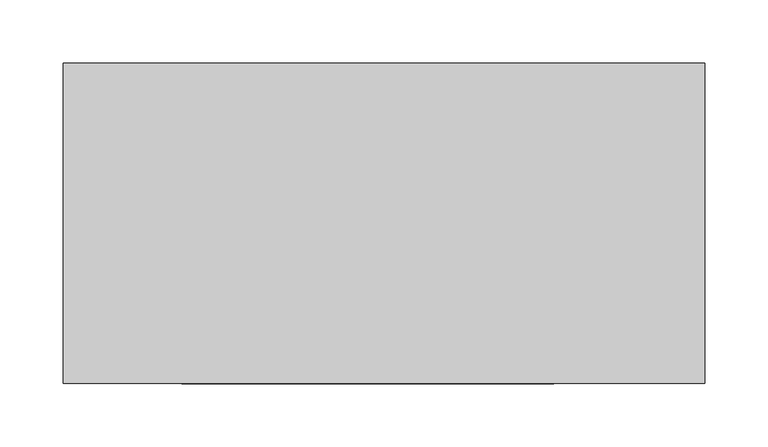
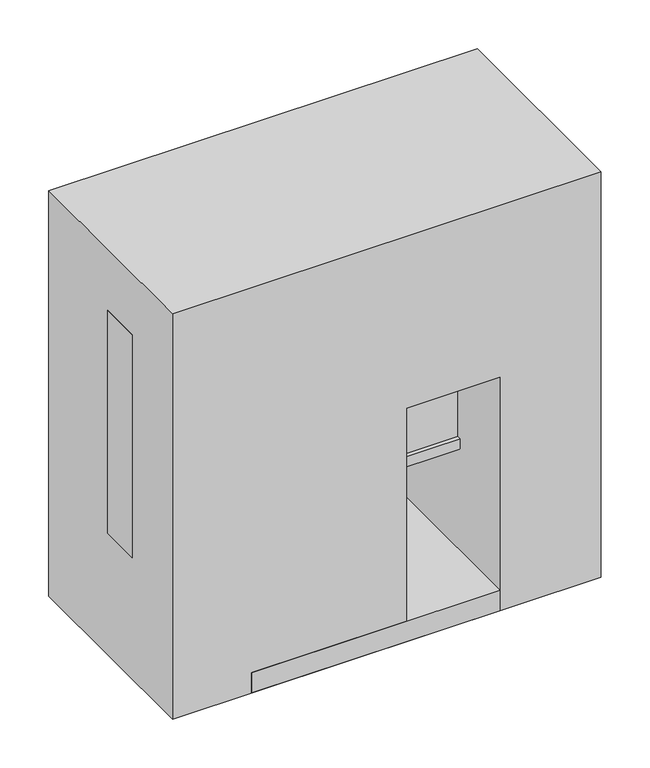
"""IFC4 building model written with IfcOpenShell, lengths in millimetres: proxy geometry."""

from ifc_helpers import new_model, si_unit, origin, place, context, project, spatial, faceted_brep, source, transform, mapped, element, save


def specialty_equipment_a8292a08(model_context):
    return source(origin(), model_context, "Body", "Brep", [
        faceted_brep([(228.6, 6.2656905, 431.8), (-254.0, 6.2656905, 431.8), (-254.0, -44.3656905, 431.8), (228.6, -44.3656905, 431.8), (228.6, 6.2656905, 152.4), (228.6, -44.3656905, 152.4), (-254.0, -44.3656905, 152.4), (-254.0, 6.2656905, 152.4), (-241.3, -44.3656905, 419.1), (215.9, -44.3656905, 419.1), (215.9, -44.3656905, 165.1), (-241.3, -44.3656905, 165.1), (215.9, -39.5794881, 419.1), (-241.3, -39.5794881, 419.1), (215.9, -39.5794881, 165.1), (-241.3, -39.5794881, 165.1)], [[[0, 1, 2, 3]], [[4, 5, 6, 7]], [[1, 0, 4, 7]], [[2, 1, 7, 6]], [[3, 2, 6, 5], [8, 9, 10, 11]], [[0, 3, 5, 4]], [[12, 9, 8, 13]], [[14, 15, 11, 10]], [[12, 13, 15, 14]], [[13, 8, 11, 15]], [[9, 12, 14, 10]]]),
        faceted_brep([(24.2685686, 44.3656905, 25.4), (24.2685686, 69.7656905, 25.4), (24.2685686, 69.7656905, 31.75), (24.2685686, 69.7656905, 292.1), (24.2685686, 6.2656905, 292.1), (24.2685686, 6.2656905, 241.3), (24.2685686, 44.3656905, 241.3), (134.5218395, -127.0, 25.4), (134.5218395, -127.0, 0.0), (134.5218395, 88.9, 0.0), (134.5218395, 88.9, 25.4), (-159.9218395, -127.0, 25.4), (-159.9218395, 88.9, 25.4), (-159.9218395, 88.9, 0.0), (-159.9218395, -127.0, 0.0), (-49.6685686, 69.7656905, 25.4), (-49.6685686, 69.7656905, 31.75), (-49.6685686, 69.7656905, 292.1), (-49.6685686, 6.2656905, 292.1), (-49.6685686, 6.2656905, 241.3), (-49.6685686, 44.3656905, 241.3), (-49.6685686, 44.3656905, 25.4)], [[[0, 1, 2, 3, 4, 5, 6]], [[7, 8, 9, 10]], [[11, 12, 13, 14]], [[2, 1, 15, 16]], [[3, 2, 16, 17]], [[4, 3, 17, 18]], [[5, 4, 18, 19]], [[6, 5, 19, 20]], [[0, 6, 20, 21]], [[7, 10, 12, 11], [0, 21, 15, 1]], [[8, 7, 11, 14]], [[9, 8, 14, 13]], [[12, 10, 9, 13]], [[15, 21, 20, 19, 18, 17, 16]]]),
        faceted_brep([(254.0, 127.0, 508.0), (-254.0, 127.0, 508.0), (-254.0, -127.0, 508.0), (254.0, -127.0, 508.0), (254.0, 127.0, 0.0), (254.0, -127.0, 0.0), (-254.0, -127.0, 0.0), (-254.0, 127.0, 0.0), (24.2685686, -127.0, 292.1), (134.5218395, -127.0, 292.1), (134.5218395, -127.0, 25.4), (24.2685686, -127.0, 25.4), (134.5218395, 88.9, 292.1), (24.2685686, 88.9, 292.1), (24.2685686, 88.9, 25.4), (134.5218395, 88.9, 25.4)], [[[0, 1, 2, 3]], [[4, 5, 6, 7]], [[1, 0, 4, 7]], [[2, 1, 7, 6]], [[3, 2, 6, 5], [8, 9, 10, 11]], [[0, 3, 5, 4]], [[12, 13, 14, 15]], [[13, 12, 9, 8]], [[14, 13, 8, 11]], [[15, 14, 11, 10]], [[12, 15, 10, 9]]]),
    ])


if __name__ == "__main__":
    model = new_model("IFC4")
    model_context = context("Model", 3, world=origin())
    ifc_project = project(units=[si_unit("LENGTHUNIT", "METRE", prefix="MILLI")], contexts=[model_context])
    site = spatial("IfcSite", under=ifc_project)
    building = spatial("IfcBuilding", under=site)
    placement = place(None, origin())
    specialty_equipment_shape = specialty_equipment_a8292a08(model_context)
    element("IfcBuildingElementProxy", 1, Name="Specialty Equipment", at=placement, inside=building, context=model_context, shape_type="MappedRepresentation", body=[
        mapped(specialty_equipment_shape, transform((0.0, 0.0, 0.0), x_axis=(1.0, 0.0, 0.0), y_axis=(0.0, 1.0, 0.0), z_axis=(0.0, 0.0, 1.0))),
    ])
    save(model, "model.ifc")
